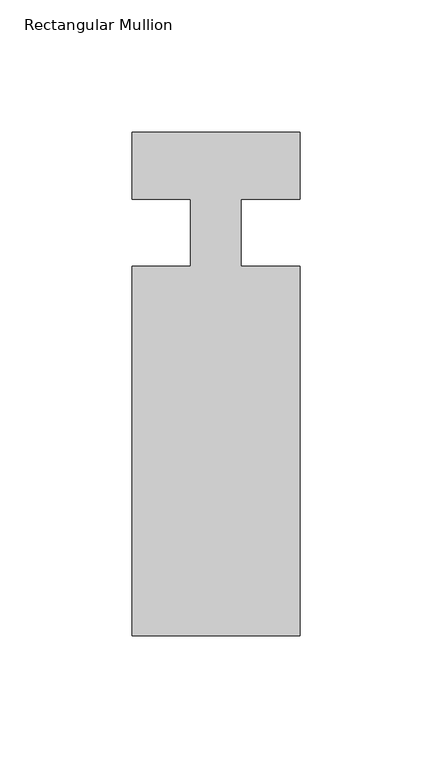
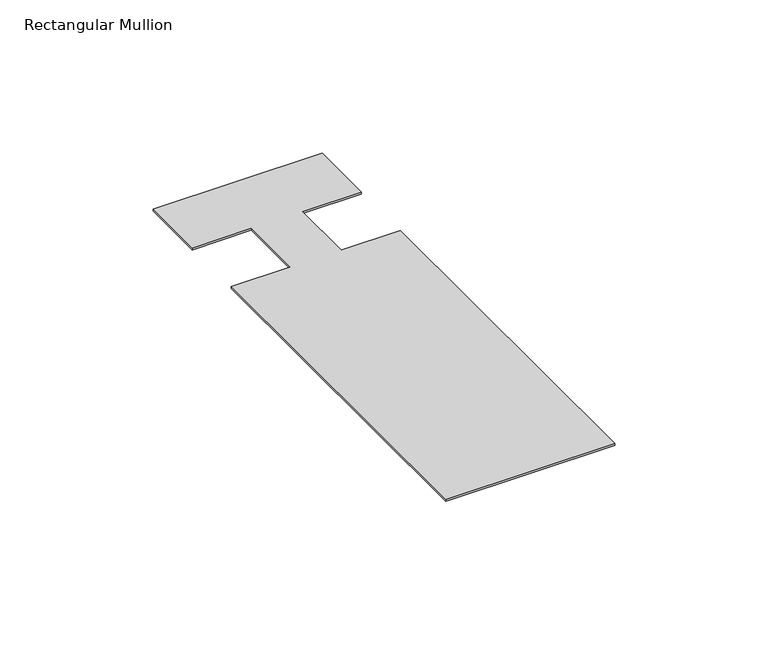
"""IFC4 building model written with IfcOpenShell, lengths in millimetres: member geometry, Rectangular Mullion."""

import ifcopenshell
import ifcopenshell.guid

model = None  # the IFC model being written
_history = None  # IfcOwnerHistory: only IFC2X3 demands one
_inside = {}  # id of a spatial element -> (the spatial element, [elements in it])
_under = {}  # id of a project, library or spatial element -> (it, [spatial elements below it])
_declared = {}  # id of a project -> (the project, [libraries it declares])
_typed = {}  # id of a type object -> (the type object, [elements of that type])
_made_of = {}  # id of a material, layer set ... -> (it, [elements and type objects made of it])


def new_model(schema):
    """Start an empty IFC model of exactly this schema.

    Asked for "IFC4X3", IfcOpenShell would pick the latest addendum, in which some entities
    have other attributes; the version numbers below select the first issue.
    IFC2X3 requires an IfcOwnerHistory on every rooted entity: one is made here for all.
    """
    global model, _history
    if schema == "IFC4X3":
        model = ifcopenshell.file(schema_version=(4, 3, 0, 0))
    else:
        model = ifcopenshell.file(schema=schema)
    _inside.clear()
    _under.clear()
    _declared.clear()
    _typed.clear()
    _made_of.clear()
    _history = None
    if model.schema == "IFC2X3":
        org = make("IfcOrganization", Name="unknown")
        user = make(
            "IfcPersonAndOrganization",
            ThePerson=make("IfcPerson", FamilyName="unknown"),
            TheOrganization=org,
        )
        app = make(
            "IfcApplication",
            ApplicationDeveloper=org,
            Version="unknown",
            ApplicationFullName="unknown",
            ApplicationIdentifier="unknown",
        )
        _history = make(
            "IfcOwnerHistory",
            OwningUser=user,
            OwningApplication=app,
            ChangeAction="ADDED",
            CreationDate=0,
        )
    return model


def make(cls, **values):
    """One entity of the class cls with the attributes given. An attribute that is None is left unset."""
    return model.create_entity(
        cls, **{name: value for name, value in values.items() if value is not None}
    )


def rooted(cls, **values):
    """An entity with a GlobalId (a new one), such as an element, a storey or a relation."""
    return make(cls, GlobalId=ifcopenshell.guid.new(), OwnerHistory=_history, **values)


def si_unit(unit_type, name, prefix=None):
    """IfcSIUnit, for example si_unit("LENGTHUNIT", "METRE", prefix="MILLI")."""
    return make("IfcSIUnit", UnitType=unit_type, Prefix=prefix, Name=name)


def assignment(units):
    """IfcUnitAssignment: the units of a project."""
    return None if units is None else make("IfcUnitAssignment", Units=units)


def point(xyz):
    """IfcCartesianPoint."""
    return None if xyz is None else make("IfcCartesianPoint", Coordinates=xyz)


def direction(xyz):
    """IfcDirection."""
    return None if xyz is None else make("IfcDirection", DirectionRatios=xyz)


def frame(location, z_axis=None, x_axis=None):
    """IfcAxis2Placement3D, a coordinate frame: its origin and axes. An axis left out is left unset."""
    return make(
        "IfcAxis2Placement3D",
        Location=point(location),
        Axis=direction(z_axis),
        RefDirection=direction(x_axis),
    )


def origin():
    """The frame at (0, 0, 0) with its axes left unset."""
    return frame((0.0, 0.0, 0.0))


def place(relative_to, where):
    """IfcLocalPlacement: puts the frame where relative to a parent placement (None: the world)."""
    return make(
        "IfcLocalPlacement", PlacementRelTo=relative_to, RelativePlacement=where
    )


def context(
    kind, dimensions, precision=None, world=None, true_north=None, identifier=None
):
    """IfcGeometricRepresentationContext, for example the 3D "Model" context."""
    return make(
        "IfcGeometricRepresentationContext",
        ContextIdentifier=identifier,
        ContextType=kind,
        CoordinateSpaceDimension=dimensions,
        Precision=precision,
        WorldCoordinateSystem=world,
        TrueNorth=true_north,
    )


def project(units=None, contexts=None):
    """IfcProject with its units and contexts."""
    return rooted(
        "IfcProject",
        Name="project",
        RepresentationContexts=contexts,
        UnitsInContext=assignment(units),
    )


def spatial(cls, under=None, at=None, **own):
    """A site, building, storey or space (cls), placed at a placement, below another one or the project."""
    s = rooted(cls, ObjectPlacement=at, **own)
    if under is not None:
        _under.setdefault(under.id(), (under, []))[1].append(s)
    return s


def polyline(points):
    """IfcPolyline through the points."""
    return make("IfcPolyline", Points=[point(p) for p in points])


def outline(outer, holes=None, kind="AREA"):
    """IfcArbitraryClosedProfileDef: a profile drawn as a closed curve; with holes, ...WithVoids."""
    if holes is None:
        return make("IfcArbitraryClosedProfileDef", ProfileType=kind, OuterCurve=outer)
    return make(
        "IfcArbitraryProfileDefWithVoids",
        ProfileType=kind,
        OuterCurve=outer,
        InnerCurves=holes,
    )


def extrude(swept, where, along, depth):
    """IfcExtrudedAreaSolid: the profile swept, set in the frame where, extruded along a direction by depth."""
    return make(
        "IfcExtrudedAreaSolid",
        SweptArea=swept,
        Position=where,
        ExtrudedDirection=direction(along),
        Depth=depth,
    )


def shape(context_of_items, identifier, shape_type, items):
    """IfcShapeRepresentation: the items that make up one representation, for example the "Body"."""
    return make(
        "IfcShapeRepresentation",
        ContextOfItems=context_of_items,
        RepresentationIdentifier=identifier,
        RepresentationType=shape_type,
        Items=items,
    )


def source(mapping_origin, context_of_items, identifier, shape_type, items):
    """IfcRepresentationMap: a shape defined once, which mapped items show again and again."""
    return make(
        "IfcRepresentationMap",
        MappingOrigin=mapping_origin,
        MappedRepresentation=shape(context_of_items, identifier, shape_type, items),
    )


def transform(
    local_origin,
    x_axis=None,
    y_axis=None,
    z_axis=None,
    scale=None,
    scale2=None,
    scale3=None,
    uniform=True,
):
    """IfcCartesianTransformationOperator3D, or its non-uniform kind. x_axis, y_axis, z_axis: its Axis1, 2, 3."""
    if uniform:
        return make(
            "IfcCartesianTransformationOperator3D",
            Axis1=direction(x_axis),
            Axis2=direction(y_axis),
            LocalOrigin=point(local_origin),
            Scale=scale,
            Axis3=direction(z_axis),
        )
    return make(
        "IfcCartesianTransformationOperator3DnonUniform",
        Axis1=direction(x_axis),
        Axis2=direction(y_axis),
        LocalOrigin=point(local_origin),
        Scale=scale,
        Axis3=direction(z_axis),
        Scale2=scale2,
        Scale3=scale3,
    )


def mapped(mapping_source, mapping_target):
    """IfcMappedItem: shows the shape of a source again, moved by a transform."""
    return make(
        "IfcMappedItem", MappingSource=mapping_source, MappingTarget=mapping_target
    )


def made_of(thing, what):
    """Note that an element or type object is made of a material, layer set ...; save() writes the relation."""
    if what is not None:
        _made_of.setdefault(what.id(), (what, []))[1].append(thing)
    return thing


def element(
    cls,
    number,
    at=None,
    inside=None,
    cuts=None,
    type_object=None,
    material=None,
    context=None,
    identifier="Body",
    shape_type=None,
    held_by="IfcProductDefinitionShape",
    body=None,
    shapes=None,
    **own,
):
    """One element of the class cls, such as IfcWall. Its Tag is "e" and its number.

    at: its placement. inside: the storey or other place that contains it. cuts: it is an
    opening in that element (IfcRelVoidsElement). A single representation is given by context,
    identifier, shape_type and body (its items); several are given by shapes. held_by: the class
    of the entity that holds the representations. save() writes the other relations.
    """
    e = rooted(cls, Tag="e%d" % number, ObjectPlacement=at, **own)
    if body is not None:
        shapes = [shape(context, identifier, shape_type, body)]
    if shapes is not None:
        e.Representation = make(held_by, Representations=shapes)
    if inside is not None:
        _inside.setdefault(inside.id(), (inside, []))[1].append(e)
    if cuts is not None:
        rooted(
            "IfcRelVoidsElement", RelatingBuildingElement=cuts, RelatedOpeningElement=e
        )
    if type_object is not None:
        _typed.setdefault(type_object.id(), (type_object, []))[1].append(e)
    return made_of(e, material)


def aggregate(whole, parts):
    """IfcRelAggregates: a whole, such as a stair, and the parts it consists of."""
    return rooted("IfcRelAggregates", RelatingObject=whole, RelatedObjects=parts)


def save(model, path):
    """Write the relations noted so far, then the file.

    IfcRelAggregates (storeys below a building ...), IfcRelContainedInSpatialStructure (elements
    in a storey), IfcRelDefinesByType, IfcRelAssociatesMaterial and IfcRelDeclares: one each for
    every whole, place, type object, material and project.
    """
    for whole, parts in _under.values():
        aggregate(whole, parts)
    for where, things in _inside.values():
        rooted(
            "IfcRelContainedInSpatialStructure",
            RelatedElements=things,
            RelatingStructure=where,
        )
    for kind, things in _typed.values():
        rooted("IfcRelDefinesByType", RelatedObjects=things, RelatingType=kind)
    for what, things in _made_of.values():
        rooted("IfcRelAssociatesMaterial", RelatedObjects=things, RelatingMaterial=what)
    for by, libraries in _declared.values():
        rooted("IfcRelDeclares", RelatingContext=by, RelatedDefinitions=libraries)
    model.write(path)


def rectangular_mullion_45745179(model_context):
    return source(origin(), model_context, "Body", "SweptSolid", [
        extrude(outline(polyline([(31.7499939, -152.3999975), (-31.7500061, -152.3999975), (-31.7500061, -12.7000025), (-9.5251193, -12.7000025), (-9.5251193, 12.7248022), (-31.7500061, 12.7248022), (-31.7500061, 38.0999975), (31.7499939, 38.0999975), (31.7499939, 12.7042851), (9.5251071, 12.7042851), (9.5251071, -12.7000025), (31.7499939, -12.7000025), (31.7499939, -152.3999975)])), frame((0.0, 0.0, -0.7941147), z_axis=(0.0, 0.0, 1.0), x_axis=(1.0, 0.0, 0.0)), (0.0, 0.0, 1.0), 0.7941147),
    ])


if __name__ == "__main__":
    model = new_model("IFC4")
    model_context = context("Model", 3, world=origin())
    ifc_project = project(units=[si_unit("LENGTHUNIT", "METRE", prefix="MILLI")], contexts=[model_context])
    site = spatial("IfcSite", under=ifc_project)
    building = spatial("IfcBuilding", under=site)
    placement = place(None, origin())
    rectangular_mullion_shape = rectangular_mullion_45745179(model_context)
    element("IfcMember", 1, ObjectType="Rectangular Mullion", at=placement, inside=building, context=model_context, shape_type="MappedRepresentation", body=[
        mapped(rectangular_mullion_shape, transform((0.0, 0.0, 0.0), x_axis=(1.0, 0.0, 0.0), y_axis=(0.0, 1.0, 0.0), z_axis=(0.0, 0.0, 1.0))),
    ])
    save(model, "model.ifc")
